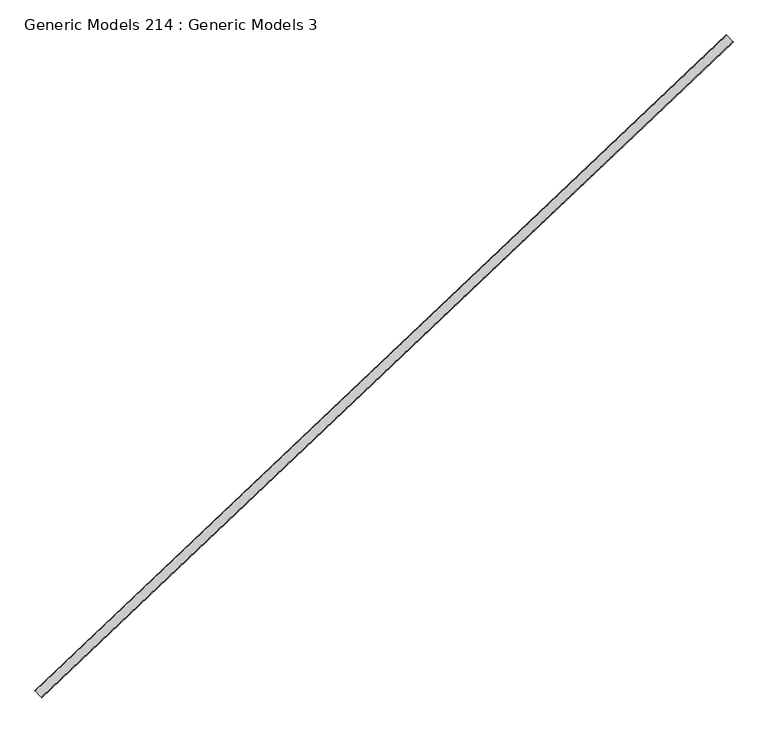
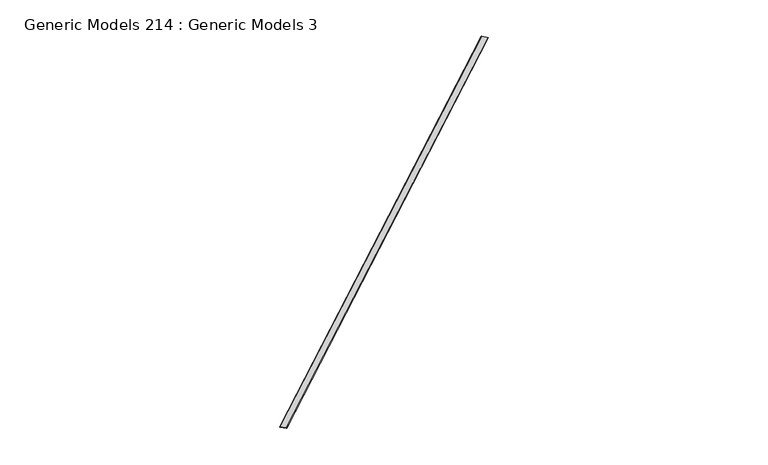
"""IFC4 building model written with IfcOpenShell, lengths in millimetres: proxy geometry, Generic Models 214 : Generic Models 3."""

from ifc_helpers import new_model, si_unit, point, frame, frame_2d, origin, place, context, project, spatial, polyline, circle_curve, trimmed, segment, composite_curve, outline, extrude, source, transform, mapped, element, save


def generic_models_214_generic_models_3_a0c96241(model_context):
    return source(origin(), model_context, "Body", "SweptSolid", [
        extrude(outline(composite_curve([segment(trimmed(circle_curve(frame_2d((19.05, -1.5875)), 1.5875), [point((19.05, 0.0))], [point((19.05, -3.175))], False, "CARTESIAN"), True, "CONTINUOUS"), segment(polyline([(19.05, -3.175), (-24.5053418, -3.175)]), True, "CONTINUOUS"), segment(trimmed(circle_curve(frame_2d((-24.5053418, -1.5875)), 1.5875), [point((-24.5053418, -3.175))], [point((-24.5053418, 0.0))], False, "CARTESIAN"), True, "CONTINUOUS"), segment(polyline([(-24.5053418, 0.0), (19.05, 0.0)]), True, "CONTINUOUS")], self_intersect=False)), frame((99846.6066846, 57211.1471119, 17682.4035964), z_axis=(0.7253743710122986, 0.6883545756937424, 0.0), x_axis=(-0.6883545756937424, 0.7253743710122986, 0.0)), (0.0, 0.0, 1.0), 4530.725),
    ])


if __name__ == "__main__":
    model = new_model("IFC4")
    model_context = context("Model", 3, world=origin())
    ifc_project = project(units=[si_unit("LENGTHUNIT", "METRE", prefix="MILLI")], contexts=[model_context])
    site = spatial("IfcSite", under=ifc_project)
    building = spatial("IfcBuilding", under=site)
    placement = place(None, origin())
    generic_models_214_generic_models_3_shape = generic_models_214_generic_models_3_a0c96241(model_context)
    element("IfcBuildingElementProxy", 1, Name="Generic Models 214 : Generic Models 3", ObjectType="Generic Models 214 : Generic Models 3", at=placement, inside=building, context=model_context, shape_type="MappedRepresentation", body=[
        mapped(generic_models_214_generic_models_3_shape, transform((0.0, 0.0, 0.0), x_axis=(1.0, 0.0, 0.0), y_axis=(0.0, 1.0, 0.0), z_axis=(0.0, 0.0, 1.0))),
    ])
    save(model, "model.ifc")
